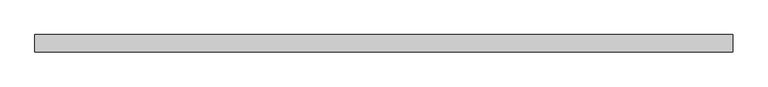
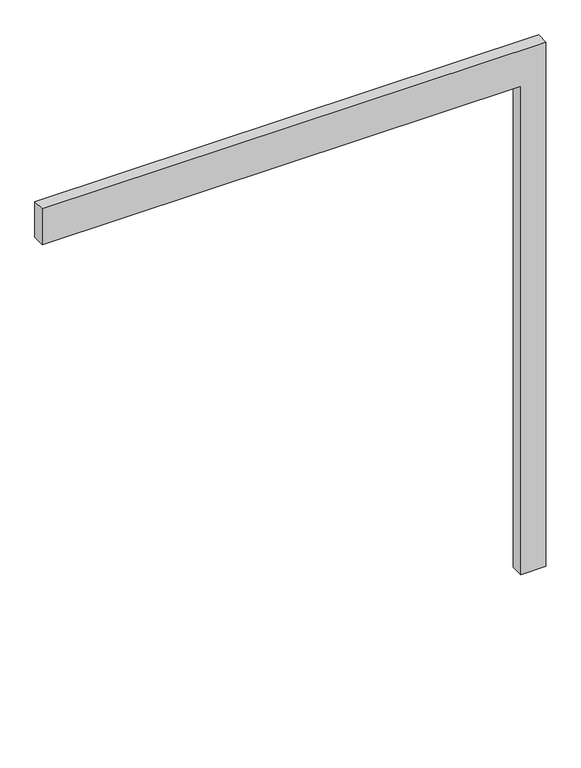
"""IFC4 building model written with IfcOpenShell, lengths in millimetres: proxy geometry."""

from ifc_helpers import new_model, si_unit, frame, origin, place, context, project, spatial, polyline, outline, extrude, source, transform, mapped, element, save


def generic_models_ee344699(model_context):
    return source(origin(), model_context, "Body", "SweptSolid", [
        extrude(outline(polyline([(2050.0, -1900.0), (2050.0, 0.0), (0.0, 0.0), (0.0, 100.0), (2200.0, 100.0), (2200.0, -1900.0), (2050.0, -1900.0)])), frame((0.0, -50.0, 0.0), z_axis=(0.0, 1.0, 0.0), x_axis=(0.0, 0.0, 1.0)), (0.0, 0.0, 1.0), 50.0),
    ])


if __name__ == "__main__":
    model = new_model("IFC4")
    model_context = context("Model", 3, world=origin())
    ifc_project = project(units=[si_unit("LENGTHUNIT", "METRE", prefix="MILLI")], contexts=[model_context])
    site = spatial("IfcSite", under=ifc_project)
    building = spatial("IfcBuilding", under=site)
    placement = place(None, origin())
    generic_models_shape = generic_models_ee344699(model_context)
    element("IfcBuildingElementProxy", 1, Name="Generic Models", at=placement, inside=building, context=model_context, shape_type="MappedRepresentation", body=[
        mapped(generic_models_shape, transform((0.0, 0.0, 0.0), x_axis=(1.0, 0.0, 0.0), y_axis=(0.0, 1.0, 0.0), z_axis=(0.0, 0.0, 1.0))),
    ])
    save(model, "model.ifc")
